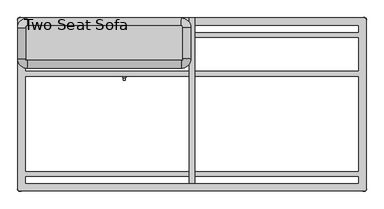
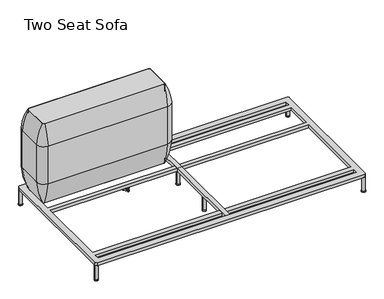
"""IFC4 building model written with IfcOpenShell, lengths in millimetres: furniture geometry, Two Seat Sofa."""

from ifc_helpers import new_model, si_unit, point, frame, frame_2d, origin, origin_with_axes, place, context, project, spatial, polyline, circle_curve, ellipse_curve, trimmed, segment, composite_curve, outline, extrude, source, transform, mapped, element, save
from ifc_brep_helpers import plane_surface, cylinder_surface, revolved_surface, advanced_brep


def two_seat_sofa_6135bf9b(model_context):
    return source(origin(), model_context, "Body", "SolidModel", [
        advanced_brep(
        [(-519.7611937, -130.2721038, 98.611642), (-523.9837819, -137.585841, 98.611642), (-523.585833, -138.7518724, 98.611642), (-507.7665623, -166.1516574, 98.611642), (-506.9557288, -167.0792988, 98.611642), (-498.5105502, -167.0792988, 98.611642), (-497.706022, -165.9895174, 98.611642), (-481.6037689, -138.4877144, 98.611642), (-481.4824919, -137.5858427, 98.611642), (-485.7050818, -130.2721023, 98.611642), (-486.9138653, -130.0337175, 98.611642), (-518.5524137, -130.0337175, 98.611642), (-493.360263, -145.1926245, 98.611642), (-512.2652749, -145.1926245, 98.611642), (-519.7611937, -130.2721038, 88.6531552), (-518.5524137, -130.0337175, 88.6531552), (-486.9138653, -130.0337175, 88.6531552), (-485.7050818, -130.2721023, 88.6531552), (-481.4824919, -137.5858427, 88.6531552), (-481.6037689, -138.4877144, 88.6531552), (-497.706022, -165.9895174, 88.6531552), (-498.5105502, -167.0792988, 88.6531552), (-506.9557288, -167.0792988, 88.6531552), (-507.7665623, -166.1516574, 88.6531552), (-523.585833, -138.7518724, 88.6531552), (-523.9837819, -137.585841, 88.6531552), (-512.2652749, -145.1926245, 103.6569541), (-493.360263, -145.1926245, 103.6569541)],
        [
            (0, 1, circle_curve(frame((-501.5017056, -145.690049, 98.611642), z_axis=(0.0, 0.0, 1.0), x_axis=(1.0, 0.0, 0.0)), 23.8981576)),
            (1, 2, circle_curve(frame((-523.0562233, -137.920202, 98.611642), z_axis=(0.0, 0.0, 1.0), x_axis=(1.0, 0.0, 0.0)), 0.9859828)),
            (2, 3, circle_curve(frame((-541.981203, -167.6389644, 98.611642), z_axis=(0.0, 0.0, -1.0), x_axis=(1.0, 0.0, 0.0)), 34.246952)),
            (3, 4, circle_curve(frame((-506.7815189, -166.1088376, 98.611642), z_axis=(0.0, 0.0, 1.0), x_axis=(1.0, 0.0, 0.0)), 0.9859736)),
            (4, 5, circle_curve(frame((-502.7331395, -143.5567534, 98.611642), z_axis=(0.0, 0.0, 1.0), x_axis=(1.0, 0.0, 0.0)), 23.8985439)),
            (5, 6, circle_curve(frame((-498.6847621, -166.1088262, 98.611642), z_axis=(0.0, 0.0, 1.0), x_axis=(1.0, 0.0, 0.0)), 0.9859852)),
            (6, 7, circle_curve(frame((-463.4843483, -167.5614211, 98.611642), z_axis=(0.0, 0.0, -1.0), x_axis=(1.0, 0.0, 0.0)), 34.2577557)),
            (7, 8, circle_curve(frame((-482.4100533, -137.9202011, 98.611642), z_axis=(0.0, 0.0, 1.0), x_axis=(1.0, 0.0, 0.0)), 0.9859847)),
            (8, 9, circle_curve(frame((-503.9641822, -145.6898258, 98.611642), z_axis=(0.0, 0.0, 1.0), x_axis=(1.0, 0.0, 0.0)), 23.8977184)),
            (9, 10, circle_curve(frame((-486.4584281, -130.9082171, 98.611642), z_axis=(0.0, 0.0, 1.0), x_axis=(1.0, 0.0, 0.0)), 0.9859881)),
            (10, 11, circle_curve(frame((-502.7331395, -99.6586209, 98.611642), z_axis=(0.0, 0.0, -1.0), x_axis=(1.0, 0.0, 0.0)), 34.2475683)),
            (11, 0, circle_curve(frame((-519.0078488, -130.9082131, 98.611642), z_axis=(0.0, 0.0, 1.0), x_axis=(1.0, 0.0, 0.0)), 0.9859835)),
            (12, 13, circle_curve(frame((-502.8127689, -145.1926245, 98.611642), z_axis=(0.0, 0.0, -1.0), x_axis=(1.0, 0.0, 0.0)), 9.452506)),
            (13, 12, circle_curve(frame((-502.8127689, -145.1926245, 98.611642), z_axis=(0.0, 0.0, -1.0), x_axis=(1.0, 0.0, 0.0)), 9.452506)),
            (14, 15, circle_curve(frame((-519.0078488, -130.9082131, 88.6531552), z_axis=(0.0, 0.0, -1.0), x_axis=(1.0, 0.0, 0.0)), 0.9859835)),
            (15, 16, circle_curve(frame((-502.7331395, -99.6586209, 88.6531552), z_axis=(0.0, 0.0, 1.0), x_axis=(1.0, 0.0, 0.0)), 34.2475683)),
            (16, 17, circle_curve(frame((-486.4584281, -130.9082171, 88.6531552), z_axis=(0.0, 0.0, -1.0), x_axis=(1.0, 0.0, 0.0)), 0.9859881)),
            (17, 18, circle_curve(frame((-503.9641822, -145.6898258, 88.6531552), z_axis=(0.0, 0.0, -1.0), x_axis=(1.0, 0.0, 0.0)), 23.8977184)),
            (18, 19, circle_curve(frame((-482.4100533, -137.9202011, 88.6531552), z_axis=(0.0, 0.0, -1.0), x_axis=(1.0, 0.0, 0.0)), 0.9859847)),
            (19, 20, circle_curve(frame((-463.4843483, -167.5614211, 88.6531552), z_axis=(0.0, 0.0, 1.0), x_axis=(1.0, 0.0, 0.0)), 34.2577557)),
            (20, 21, circle_curve(frame((-498.6847621, -166.1088262, 88.6531552), z_axis=(0.0, 0.0, -1.0), x_axis=(1.0, 0.0, 0.0)), 0.9859852)),
            (21, 22, circle_curve(frame((-502.7331395, -143.5567534, 88.6531552), z_axis=(0.0, 0.0, -1.0), x_axis=(1.0, 0.0, 0.0)), 23.8985439)),
            (22, 23, circle_curve(frame((-506.7815189, -166.1088376, 88.6531552), z_axis=(0.0, 0.0, -1.0), x_axis=(1.0, 0.0, 0.0)), 0.9859736)),
            (23, 24, circle_curve(frame((-541.981203, -167.6389644, 88.6531552), z_axis=(0.0, 0.0, 1.0), x_axis=(1.0, 0.0, 0.0)), 34.246952)),
            (24, 25, circle_curve(frame((-523.0562233, -137.920202, 88.6531552), z_axis=(0.0, 0.0, -1.0), x_axis=(1.0, 0.0, 0.0)), 0.9859828)),
            (25, 14, circle_curve(frame((-501.5017056, -145.690049, 88.6531552), z_axis=(0.0, 0.0, -1.0), x_axis=(1.0, 0.0, 0.0)), 23.8981576)),
            (26, 27, circle_curve(frame((-502.8127689, -145.1926245, 103.6569541), z_axis=(0.0, 0.0, 1.0), x_axis=(1.0, 0.0, 0.0)), 9.452506)),
            (27, 26, circle_curve(frame((-502.8127689, -145.1926245, 103.6569541), z_axis=(0.0, 0.0, 1.0), x_axis=(1.0, 0.0, 0.0)), 9.452506)),
            (0, 14),
            (25, 1),
            (24, 2),
            (23, 3),
            (22, 4),
            (21, 5),
            (20, 6),
            (19, 7),
            (18, 8),
            (17, 9),
            (16, 10),
            (15, 11),
            (26, 13),
            (12, 27),
        ],
        [
            plane_surface(frame((-477.603548, -145.690049, 98.611642), z_axis=(0.0, 0.0, 1.0), x_axis=(0.0, 1.0, 0.0))),
            plane_surface(frame((-477.603548, -145.690049, 88.6531552), z_axis=(0.0, 0.0, -1.0), x_axis=(0.0, -1.0, 0.0))),
            plane_surface(frame((-493.360263, -145.1926245, 103.6569541), z_axis=(0.0, 0.0, 1.0), x_axis=(0.0, 1.0, 0.0))),
            cylinder_surface(frame((-501.5017056, -145.690049, 88.6531552), z_axis=(0.0, 0.0, 1.0), x_axis=(1.0, 0.0, 0.0)), 23.8981576),
            cylinder_surface(frame((-523.0562233, -137.920202, 88.6531552), z_axis=(0.0, 0.0, 1.0), x_axis=(1.0, 0.0, 0.0)), 0.9859828),
            revolved_surface(polyline([(-507.73425100000003, -167.6389644, 88.6531552), (-507.73425100000003, -167.6389644, 98.611642)]), (-541.981203, -167.6389644, 88.6531552), (0.0, 0.0, -1.0)),
            cylinder_surface(frame((-506.7815189, -166.1088376, 88.6531552), z_axis=(0.0, 0.0, 1.0), x_axis=(1.0, 0.0, 0.0)), 0.9859736),
            cylinder_surface(frame((-502.7331395, -143.5567534, 88.6531552), z_axis=(0.0, 0.0, 1.0), x_axis=(1.0, 0.0, 0.0)), 23.8985439),
            cylinder_surface(frame((-498.6847621, -166.1088262, 88.6531552), z_axis=(0.0, 0.0, 1.0), x_axis=(1.0, 0.0, 0.0)), 0.9859852),
            revolved_surface(polyline([(-429.2265926, -167.5614211, 88.6531552), (-429.2265926, -167.5614211, 98.611642)]), (-463.4843483, -167.5614211, 88.6531552), (0.0, 0.0, -1.0)),
            cylinder_surface(frame((-482.4100533, -137.9202011, 88.6531552), z_axis=(0.0, 0.0, 1.0), x_axis=(1.0, 0.0, 0.0)), 0.9859847),
            cylinder_surface(frame((-503.9641822, -145.6898258, 88.6531552), z_axis=(0.0, 0.0, 1.0), x_axis=(1.0, 0.0, 0.0)), 23.8977184),
            cylinder_surface(frame((-486.4584281, -130.9082171, 88.6531552), z_axis=(0.0, 0.0, 1.0), x_axis=(1.0, 0.0, 0.0)), 0.9859881),
            revolved_surface(polyline([(-468.4855712, -99.6586209, 88.6531552), (-468.4855712, -99.6586209, 98.611642)]), (-502.7331395, -99.6586209, 88.6531552), (0.0, 0.0, -1.0)),
            cylinder_surface(frame((-519.0078488, -130.9082131, 88.6531552), z_axis=(0.0, 0.0, 1.0), x_axis=(1.0, 0.0, 0.0)), 0.9859835),
            cylinder_surface(frame((-502.8127689, -145.1926245, 98.611642), z_axis=(0.0, 0.0, 1.0), x_axis=(1.0, 0.0, 0.0)), 9.452506),
        ],
        [
            (0, [[1, 2, 3, 4, 5, 6, 7, 8, 9, 10, 11, 12], [13, 14]]),
            (1, [[15, 16, 17, 18, 19, 20, 21, 22, 23, 24, 25, 26]]),
            (2, [[27, 28]]),
            (3, [[-1, 29, -26, 30]]),
            (4, [[-2, -30, -25, 31]]),
            (5, [[-3, -31, -24, 32]]),
            (6, [[-4, -32, -23, 33]]),
            (7, [[-5, -33, -22, 34]]),
            (8, [[-6, -34, -21, 35]]),
            (9, [[-7, -35, -20, 36]]),
            (10, [[-8, -36, -19, 37]]),
            (11, [[-9, -37, -18, 38]]),
            (12, [[-10, -38, -17, 39]]),
            (13, [[-11, -39, -16, 40]]),
            (14, [[-12, -40, -15, -29]]),
            (15, [[-27, 41, -13, 42]]),
            (15, [[-28, -42, -14, -41]]),
        ],
    ),
        advanced_brep(
        [(-519.7611937, 69.7278978, 98.611642), (-523.9837819, 62.4141605, 98.611642), (-523.585833, 61.2481292, 98.611642), (-507.7665623, 33.8483441, 98.611642), (-506.9557288, 32.9207027, 98.611642), (-498.5105502, 32.9207027, 98.611642), (-497.706022, 34.0104841, 98.611642), (-481.6037689, 61.5122871, 98.611642), (-481.4824919, 62.4141588, 98.611642), (-485.7050818, 69.7278992, 98.611642), (-486.9138653, 69.966284, 98.611642), (-518.5524137, 69.966284, 98.611642), (-493.360263, 54.807377, 98.611642), (-512.2652749, 54.807377, 98.611642), (-519.7611937, 69.7278978, 88.6531552), (-518.5524137, 69.966284, 88.6531552), (-486.9138653, 69.966284, 88.6531552), (-485.7050818, 69.7278992, 88.6531552), (-481.4824919, 62.4141588, 88.6531552), (-481.6037689, 61.5122871, 88.6531552), (-497.706022, 34.0104841, 88.6531552), (-498.5105502, 32.9207027, 88.6531552), (-506.9557288, 32.9207027, 88.6531552), (-507.7665623, 33.8483441, 88.6531552), (-523.585833, 61.2481292, 88.6531552), (-523.9837819, 62.4141605, 88.6531552), (-512.2652749, 54.807377, 103.6569541), (-493.360263, 54.807377, 103.6569541)],
        [
            (0, 1, circle_curve(frame((-501.5017056, 54.3099526, 98.611642), z_axis=(0.0, 0.0, 1.0), x_axis=(1.0, 0.0, 0.0)), 23.8981576)),
            (1, 2, circle_curve(frame((-523.0562233, 62.0797996, 98.611642), z_axis=(0.0, 0.0, 1.0), x_axis=(1.0, 0.0, 0.0)), 0.9859828)),
            (2, 3, circle_curve(frame((-541.981203, 32.3610372, 98.611642), z_axis=(0.0, 0.0, -1.0), x_axis=(1.0, 0.0, 0.0)), 34.246952)),
            (3, 4, circle_curve(frame((-506.7815189, 33.8911639, 98.611642), z_axis=(0.0, 0.0, 1.0), x_axis=(1.0, 0.0, 0.0)), 0.9859736)),
            (4, 5, circle_curve(frame((-502.7331395, 56.4432481, 98.611642), z_axis=(0.0, 0.0, 1.0), x_axis=(1.0, 0.0, 0.0)), 23.8985439)),
            (5, 6, circle_curve(frame((-498.6847621, 33.8911753, 98.611642), z_axis=(0.0, 0.0, 1.0), x_axis=(1.0, 0.0, 0.0)), 0.9859852)),
            (6, 7, circle_curve(frame((-463.4843483, 32.4385804, 98.611642), z_axis=(0.0, 0.0, -1.0), x_axis=(1.0, 0.0, 0.0)), 34.2577557)),
            (7, 8, circle_curve(frame((-482.4100533, 62.0798004, 98.611642), z_axis=(0.0, 0.0, 1.0), x_axis=(1.0, 0.0, 0.0)), 0.9859847)),
            (8, 9, circle_curve(frame((-503.9641822, 54.3101757, 98.611642), z_axis=(0.0, 0.0, 1.0), x_axis=(1.0, 0.0, 0.0)), 23.8977184)),
            (9, 10, circle_curve(frame((-486.4584281, 69.0917844, 98.611642), z_axis=(0.0, 0.0, 1.0), x_axis=(1.0, 0.0, 0.0)), 0.9859881)),
            (10, 11, circle_curve(frame((-502.7331395, 100.3413806, 98.611642), z_axis=(0.0, 0.0, -1.0), x_axis=(1.0, 0.0, 0.0)), 34.2475683)),
            (11, 0, circle_curve(frame((-519.0078488, 69.0917885, 98.611642), z_axis=(0.0, 0.0, 1.0), x_axis=(1.0, 0.0, 0.0)), 0.9859835)),
            (12, 13, circle_curve(frame((-502.8127689, 54.807377, 98.611642), z_axis=(0.0, 0.0, -1.0), x_axis=(1.0, 0.0, 0.0)), 9.452506)),
            (13, 12, circle_curve(frame((-502.8127689, 54.807377, 98.611642), z_axis=(0.0, 0.0, -1.0), x_axis=(1.0, 0.0, 0.0)), 9.452506)),
            (14, 15, circle_curve(frame((-519.0078488, 69.0917885, 88.6531552), z_axis=(0.0, 0.0, -1.0), x_axis=(1.0, 0.0, 0.0)), 0.9859835)),
            (15, 16, circle_curve(frame((-502.7331395, 100.3413806, 88.6531552), z_axis=(0.0, 0.0, 1.0), x_axis=(1.0, 0.0, 0.0)), 34.2475683)),
            (16, 17, circle_curve(frame((-486.4584281, 69.0917844, 88.6531552), z_axis=(0.0, 0.0, -1.0), x_axis=(1.0, 0.0, 0.0)), 0.9859881)),
            (17, 18, circle_curve(frame((-503.9641822, 54.3101757, 88.6531552), z_axis=(0.0, 0.0, -1.0), x_axis=(1.0, 0.0, 0.0)), 23.8977184)),
            (18, 19, circle_curve(frame((-482.4100533, 62.0798004, 88.6531552), z_axis=(0.0, 0.0, -1.0), x_axis=(1.0, 0.0, 0.0)), 0.9859847)),
            (19, 20, circle_curve(frame((-463.4843483, 32.4385804, 88.6531552), z_axis=(0.0, 0.0, 1.0), x_axis=(1.0, 0.0, 0.0)), 34.2577557)),
            (20, 21, circle_curve(frame((-498.6847621, 33.8911753, 88.6531552), z_axis=(0.0, 0.0, -1.0), x_axis=(1.0, 0.0, 0.0)), 0.9859852)),
            (21, 22, circle_curve(frame((-502.7331395, 56.4432481, 88.6531552), z_axis=(0.0, 0.0, -1.0), x_axis=(1.0, 0.0, 0.0)), 23.8985439)),
            (22, 23, circle_curve(frame((-506.7815189, 33.8911639, 88.6531552), z_axis=(0.0, 0.0, -1.0), x_axis=(1.0, 0.0, 0.0)), 0.9859736)),
            (23, 24, circle_curve(frame((-541.981203, 32.3610372, 88.6531552), z_axis=(0.0, 0.0, 1.0), x_axis=(1.0, 0.0, 0.0)), 34.246952)),
            (24, 25, circle_curve(frame((-523.0562233, 62.0797996, 88.6531552), z_axis=(0.0, 0.0, -1.0), x_axis=(1.0, 0.0, 0.0)), 0.9859828)),
            (25, 14, circle_curve(frame((-501.5017056, 54.3099526, 88.6531552), z_axis=(0.0, 0.0, -1.0), x_axis=(1.0, 0.0, 0.0)), 23.8981576)),
            (26, 27, circle_curve(frame((-502.8127689, 54.807377, 103.6569541), z_axis=(0.0, 0.0, 1.0), x_axis=(1.0, 0.0, 0.0)), 9.452506)),
            (27, 26, circle_curve(frame((-502.8127689, 54.807377, 103.6569541), z_axis=(0.0, 0.0, 1.0), x_axis=(1.0, 0.0, 0.0)), 9.452506)),
            (0, 14),
            (25, 1),
            (24, 2),
            (23, 3),
            (22, 4),
            (21, 5),
            (20, 6),
            (19, 7),
            (18, 8),
            (17, 9),
            (16, 10),
            (15, 11),
            (26, 13),
            (12, 27),
        ],
        [
            plane_surface(frame((-477.603548, 54.3099526, 98.611642), z_axis=(0.0, 0.0, 1.0), x_axis=(0.0, 1.0, 0.0))),
            plane_surface(frame((-477.603548, 54.3099526, 88.6531552), z_axis=(0.0, 0.0, -1.0), x_axis=(0.0, -1.0, 0.0))),
            plane_surface(frame((-493.360263, 54.807377, 103.6569541), z_axis=(0.0, 0.0, 1.0), x_axis=(0.0, 1.0, 0.0))),
            cylinder_surface(frame((-501.5017056, 54.3099526, 88.6531552), z_axis=(0.0, 0.0, 1.0), x_axis=(1.0, 0.0, 0.0)), 23.8981576),
            cylinder_surface(frame((-523.0562233, 62.0797996, 88.6531552), z_axis=(0.0, 0.0, 1.0), x_axis=(1.0, 0.0, 0.0)), 0.9859828),
            revolved_surface(polyline([(-507.73425100000003, 32.3610372, 88.6531552), (-507.73425100000003, 32.3610372, 98.611642)]), (-541.981203, 32.3610372, 88.6531552), (0.0, 0.0, -1.0)),
            cylinder_surface(frame((-506.7815189, 33.8911639, 88.6531552), z_axis=(0.0, 0.0, 1.0), x_axis=(1.0, 0.0, 0.0)), 0.9859736),
            cylinder_surface(frame((-502.7331395, 56.4432481, 88.6531552), z_axis=(0.0, 0.0, 1.0), x_axis=(1.0, 0.0, 0.0)), 23.8985439),
            cylinder_surface(frame((-498.6847621, 33.8911753, 88.6531552), z_axis=(0.0, 0.0, 1.0), x_axis=(1.0, 0.0, 0.0)), 0.9859852),
            revolved_surface(polyline([(-429.2265926, 32.4385804, 88.6531552), (-429.2265926, 32.4385804, 98.611642)]), (-463.4843483, 32.4385804, 88.6531552), (0.0, 0.0, -1.0)),
            cylinder_surface(frame((-482.4100533, 62.0798004, 88.6531552), z_axis=(0.0, 0.0, 1.0), x_axis=(1.0, 0.0, 0.0)), 0.9859847),
            cylinder_surface(frame((-503.9641822, 54.3101757, 88.6531552), z_axis=(0.0, 0.0, 1.0), x_axis=(1.0, 0.0, 0.0)), 23.8977184),
            cylinder_surface(frame((-486.4584281, 69.0917844, 88.6531552), z_axis=(0.0, 0.0, 1.0), x_axis=(1.0, 0.0, 0.0)), 0.9859881),
            revolved_surface(polyline([(-468.4855712, 100.3413806, 88.6531552), (-468.4855712, 100.3413806, 98.611642)]), (-502.7331395, 100.3413806, 88.6531552), (0.0, 0.0, -1.0)),
            cylinder_surface(frame((-519.0078488, 69.0917885, 88.6531552), z_axis=(0.0, 0.0, 1.0), x_axis=(1.0, 0.0, 0.0)), 0.9859835),
            cylinder_surface(frame((-502.8127689, 54.807377, 98.611642), z_axis=(0.0, 0.0, 1.0), x_axis=(1.0, 0.0, 0.0)), 9.452506),
        ],
        [
            (0, [[1, 2, 3, 4, 5, 6, 7, 8, 9, 10, 11, 12], [13, 14]]),
            (1, [[15, 16, 17, 18, 19, 20, 21, 22, 23, 24, 25, 26]]),
            (2, [[27, 28]]),
            (3, [[-1, 29, -26, 30]]),
            (4, [[-2, -30, -25, 31]]),
            (5, [[-3, -31, -24, 32]]),
            (6, [[-4, -32, -23, 33]]),
            (7, [[-5, -33, -22, 34]]),
            (8, [[-6, -34, -21, 35]]),
            (9, [[-7, -35, -20, 36]]),
            (10, [[-8, -36, -19, 37]]),
            (11, [[-9, -37, -18, 38]]),
            (12, [[-10, -38, -17, 39]]),
            (13, [[-11, -39, -16, 40]]),
            (14, [[-12, -40, -15, -29]]),
            (15, [[-27, 41, -13, 42]]),
            (15, [[-28, -42, -14, -41]]),
        ],
    ),
        advanced_brep(
        [(-708.6567178, 69.7278978, 98.611642), (-712.879306, 62.4141605, 98.611642), (-712.4813572, 61.2481292, 98.611642), (-696.6620864, 33.8483441, 98.611642), (-695.8512529, 32.9207027, 98.611642), (-687.4060744, 32.9207027, 98.611642), (-686.6015461, 34.0104841, 98.611642), (-670.4992931, 61.5122871, 98.611642), (-670.378016, 62.4141588, 98.611642), (-674.600606, 69.7278992, 98.611642), (-675.8093894, 69.966284, 98.611642), (-707.4479379, 69.966284, 98.611642), (-682.2557871, 54.807377, 98.611642), (-701.160799, 54.807377, 98.611642), (-708.6567178, 69.7278978, 88.6531552), (-707.4479379, 69.966284, 88.6531552), (-675.8093894, 69.966284, 88.6531552), (-674.600606, 69.7278992, 88.6531552), (-670.378016, 62.4141588, 88.6531552), (-670.4992931, 61.5122871, 88.6531552), (-686.6015461, 34.0104841, 88.6531552), (-687.4060744, 32.9207027, 88.6531552), (-695.8512529, 32.9207027, 88.6531552), (-696.6620864, 33.8483441, 88.6531552), (-712.4813572, 61.2481292, 88.6531552), (-712.879306, 62.4141605, 88.6531552), (-701.160799, 54.807377, 103.6569541), (-682.2557871, 54.807377, 103.6569541)],
        [
            (0, 1, circle_curve(frame((-690.3972298, 54.3099526, 98.611642), z_axis=(0.0, 0.0, 1.0), x_axis=(1.0, 0.0, 0.0)), 23.8981576)),
            (1, 2, circle_curve(frame((-711.9517474, 62.0797996, 98.611642), z_axis=(0.0, 0.0, 1.0), x_axis=(1.0, 0.0, 0.0)), 0.9859828)),
            (2, 3, circle_curve(frame((-730.8767271, 32.3610372, 98.611642), z_axis=(0.0, 0.0, -1.0), x_axis=(1.0, 0.0, 0.0)), 34.246952)),
            (3, 4, circle_curve(frame((-695.6770431, 33.8911639, 98.611642), z_axis=(0.0, 0.0, 1.0), x_axis=(1.0, 0.0, 0.0)), 0.9859736)),
            (4, 5, circle_curve(frame((-691.6286636, 56.4432481, 98.611642), z_axis=(0.0, 0.0, 1.0), x_axis=(1.0, 0.0, 0.0)), 23.8985439)),
            (5, 6, circle_curve(frame((-687.5802862, 33.8911753, 98.611642), z_axis=(0.0, 0.0, 1.0), x_axis=(1.0, 0.0, 0.0)), 0.9859852)),
            (6, 7, circle_curve(frame((-652.3798725, 32.4385804, 98.611642), z_axis=(0.0, 0.0, -1.0), x_axis=(1.0, 0.0, 0.0)), 34.2577557)),
            (7, 8, circle_curve(frame((-671.3055775, 62.0798004, 98.611642), z_axis=(0.0, 0.0, 1.0), x_axis=(1.0, 0.0, 0.0)), 0.9859847)),
            (8, 9, circle_curve(frame((-692.8597064, 54.3101757, 98.611642), z_axis=(0.0, 0.0, 1.0), x_axis=(1.0, 0.0, 0.0)), 23.8977184)),
            (9, 10, circle_curve(frame((-675.3539522, 69.0917844, 98.611642), z_axis=(0.0, 0.0, 1.0), x_axis=(1.0, 0.0, 0.0)), 0.9859881)),
            (10, 11, circle_curve(frame((-691.6286636, 100.3413806, 98.611642), z_axis=(0.0, 0.0, -1.0), x_axis=(1.0, 0.0, 0.0)), 34.2475683)),
            (11, 0, circle_curve(frame((-707.9033729, 69.0917885, 98.611642), z_axis=(0.0, 0.0, 1.0), x_axis=(1.0, 0.0, 0.0)), 0.9859835)),
            (12, 13, circle_curve(frame((-691.7082931, 54.807377, 98.611642), z_axis=(0.0, 0.0, -1.0), x_axis=(1.0, 0.0, 0.0)), 9.452506)),
            (13, 12, circle_curve(frame((-691.7082931, 54.807377, 98.611642), z_axis=(0.0, 0.0, -1.0), x_axis=(1.0, 0.0, 0.0)), 9.452506)),
            (14, 15, circle_curve(frame((-707.9033729, 69.0917885, 88.6531552), z_axis=(0.0, 0.0, -1.0), x_axis=(1.0, 0.0, 0.0)), 0.9859835)),
            (15, 16, circle_curve(frame((-691.6286636, 100.3413806, 88.6531552), z_axis=(0.0, 0.0, 1.0), x_axis=(1.0, 0.0, 0.0)), 34.2475683)),
            (16, 17, circle_curve(frame((-675.3539522, 69.0917844, 88.6531552), z_axis=(0.0, 0.0, -1.0), x_axis=(1.0, 0.0, 0.0)), 0.9859881)),
            (17, 18, circle_curve(frame((-692.8597064, 54.3101757, 88.6531552), z_axis=(0.0, 0.0, -1.0), x_axis=(1.0, 0.0, 0.0)), 23.8977184)),
            (18, 19, circle_curve(frame((-671.3055775, 62.0798004, 88.6531552), z_axis=(0.0, 0.0, -1.0), x_axis=(1.0, 0.0, 0.0)), 0.9859847)),
            (19, 20, circle_curve(frame((-652.3798725, 32.4385804, 88.6531552), z_axis=(0.0, 0.0, 1.0), x_axis=(1.0, 0.0, 0.0)), 34.2577557)),
            (20, 21, circle_curve(frame((-687.5802862, 33.8911753, 88.6531552), z_axis=(0.0, 0.0, -1.0), x_axis=(1.0, 0.0, 0.0)), 0.9859852)),
            (21, 22, circle_curve(frame((-691.6286636, 56.4432481, 88.6531552), z_axis=(0.0, 0.0, -1.0), x_axis=(1.0, 0.0, 0.0)), 23.8985439)),
            (22, 23, circle_curve(frame((-695.6770431, 33.8911639, 88.6531552), z_axis=(0.0, 0.0, -1.0), x_axis=(1.0, 0.0, 0.0)), 0.9859736)),
            (23, 24, circle_curve(frame((-730.8767271, 32.3610372, 88.6531552), z_axis=(0.0, 0.0, 1.0), x_axis=(1.0, 0.0, 0.0)), 34.246952)),
            (24, 25, circle_curve(frame((-711.9517474, 62.0797996, 88.6531552), z_axis=(0.0, 0.0, -1.0), x_axis=(1.0, 0.0, 0.0)), 0.9859828)),
            (25, 14, circle_curve(frame((-690.3972298, 54.3099526, 88.6531552), z_axis=(0.0, 0.0, -1.0), x_axis=(1.0, 0.0, 0.0)), 23.8981576)),
            (26, 27, circle_curve(frame((-691.7082931, 54.807377, 103.6569541), z_axis=(0.0, 0.0, 1.0), x_axis=(1.0, 0.0, 0.0)), 9.452506)),
            (27, 26, circle_curve(frame((-691.7082931, 54.807377, 103.6569541), z_axis=(0.0, 0.0, 1.0), x_axis=(1.0, 0.0, 0.0)), 9.452506)),
            (0, 14),
            (25, 1),
            (24, 2),
            (23, 3),
            (22, 4),
            (21, 5),
            (20, 6),
            (19, 7),
            (18, 8),
            (17, 9),
            (16, 10),
            (15, 11),
            (26, 13),
            (12, 27),
        ],
        [
            plane_surface(frame((-666.4990722, 54.3099526, 98.611642), z_axis=(0.0, 0.0, 1.0), x_axis=(0.0, 1.0, 0.0))),
            plane_surface(frame((-666.4990722, 54.3099526, 88.6531552), z_axis=(0.0, 0.0, -1.0), x_axis=(0.0, -1.0, 0.0))),
            plane_surface(frame((-682.2557871, 54.807377, 103.6569541), z_axis=(0.0, 0.0, 1.0), x_axis=(0.0, 1.0, 0.0))),
            cylinder_surface(frame((-690.3972298, 54.3099526, 88.6531552), z_axis=(0.0, 0.0, 1.0), x_axis=(1.0, 0.0, 0.0)), 23.8981576),
            cylinder_surface(frame((-711.9517474, 62.0797996, 88.6531552), z_axis=(0.0, 0.0, 1.0), x_axis=(1.0, 0.0, 0.0)), 0.9859828),
            revolved_surface(polyline([(-696.6297751000001, 32.3610372, 88.6531552), (-696.6297751000001, 32.3610372, 98.611642)]), (-730.8767271, 32.3610372, 88.6531552), (0.0, 0.0, -1.0)),
            cylinder_surface(frame((-695.6770431, 33.8911639, 88.6531552), z_axis=(0.0, 0.0, 1.0), x_axis=(1.0, 0.0, 0.0)), 0.9859736),
            cylinder_surface(frame((-691.6286636, 56.4432481, 88.6531552), z_axis=(0.0, 0.0, 1.0), x_axis=(1.0, 0.0, 0.0)), 23.8985439),
            cylinder_surface(frame((-687.5802862, 33.8911753, 88.6531552), z_axis=(0.0, 0.0, 1.0), x_axis=(1.0, 0.0, 0.0)), 0.9859852),
            revolved_surface(polyline([(-618.1221168000001, 32.4385804, 88.6531552), (-618.1221168000001, 32.4385804, 98.611642)]), (-652.3798725, 32.4385804, 88.6531552), (0.0, 0.0, -1.0)),
            cylinder_surface(frame((-671.3055775, 62.0798004, 88.6531552), z_axis=(0.0, 0.0, 1.0), x_axis=(1.0, 0.0, 0.0)), 0.9859847),
            cylinder_surface(frame((-692.8597064, 54.3101757, 88.6531552), z_axis=(0.0, 0.0, 1.0), x_axis=(1.0, 0.0, 0.0)), 23.8977184),
            cylinder_surface(frame((-675.3539522, 69.0917844, 88.6531552), z_axis=(0.0, 0.0, 1.0), x_axis=(1.0, 0.0, 0.0)), 0.9859881),
            revolved_surface(polyline([(-657.3810953, 100.3413806, 88.6531552), (-657.3810953, 100.3413806, 98.611642)]), (-691.6286636, 100.3413806, 88.6531552), (0.0, 0.0, -1.0)),
            cylinder_surface(frame((-707.9033729, 69.0917885, 88.6531552), z_axis=(0.0, 0.0, 1.0), x_axis=(1.0, 0.0, 0.0)), 0.9859835),
            cylinder_surface(frame((-691.7082931, 54.807377, 98.611642), z_axis=(0.0, 0.0, 1.0), x_axis=(1.0, 0.0, 0.0)), 9.452506),
        ],
        [
            (0, [[1, 2, 3, 4, 5, 6, 7, 8, 9, 10, 11, 12], [13, 14]]),
            (1, [[15, 16, 17, 18, 19, 20, 21, 22, 23, 24, 25, 26]]),
            (2, [[27, 28]]),
            (3, [[-1, 29, -26, 30]]),
            (4, [[-2, -30, -25, 31]]),
            (5, [[-3, -31, -24, 32]]),
            (6, [[-4, -32, -23, 33]]),
            (7, [[-5, -33, -22, 34]]),
            (8, [[-6, -34, -21, 35]]),
            (9, [[-7, -35, -20, 36]]),
            (10, [[-8, -36, -19, 37]]),
            (11, [[-9, -37, -18, 38]]),
            (12, [[-10, -38, -17, 39]]),
            (13, [[-11, -39, -16, 40]]),
            (14, [[-12, -40, -15, -29]]),
            (15, [[-27, 41, -13, 42]]),
            (15, [[-28, -42, -14, -41]]),
        ],
    ),
        extrude(outline(composite_curve([segment(trimmed(circle_curve(frame_2d((-155.4452882, -433.7002937)), 10.4664203), [point((-165.9117085, -433.7002937))], [point((-144.9788678, -433.7002937))], False, "CARTESIAN"), True, "CONTINUOUS"), segment(trimmed(circle_curve(frame_2d((-155.4452882, -433.7002937)), 10.4664203), [point((-144.9788678, -433.7002937))], [point((-165.9117085, -433.7002937))], False, "CARTESIAN"), True, "CONTINUOUS")], self_intersect=False)), origin_with_axes(), (0.0, 0.0, 1.0), 103.6569541),
        extrude(outline(composite_curve([segment(trimmed(circle_curve(frame_2d((-155.4452882, -133.6667163)), 10.4664203), [point((-165.9117085, -133.6667163))], [point((-144.9788678, -133.6667163))], False, "CARTESIAN"), True, "CONTINUOUS"), segment(trimmed(circle_curve(frame_2d((-155.4452882, -133.6667163)), 10.4664203), [point((-144.9788678, -133.6667163))], [point((-165.9117085, -133.6667163))], False, "CARTESIAN"), True, "CONTINUOUS")], self_intersect=False)), origin_with_axes(), (0.0, 0.0, 1.0), 103.6569541),
        extrude(outline(composite_curve([segment(trimmed(circle_curve(frame_2d((-155.4452882, -433.7002937)), 12.5000005), [point((-167.9452886, -433.7002937))], [point((-142.9452877, -433.7002937))], False, "CARTESIAN"), True, "CONTINUOUS"), segment(trimmed(circle_curve(frame_2d((-155.4452882, -433.7002937)), 12.5000005), [point((-142.9452877, -433.7002937))], [point((-167.9452886, -433.7002937))], False, "CARTESIAN"), True, "CONTINUOUS")], self_intersect=False)), origin_with_axes(), (0.0, 0.0, 1.0), 6.0),
        extrude(outline(composite_curve([segment(trimmed(circle_curve(frame_2d((-155.4452882, -133.6667163)), 12.5000005), [point((-167.9452886, -133.6667163))], [point((-142.9452877, -133.6667163))], False, "CARTESIAN"), True, "CONTINUOUS"), segment(trimmed(circle_curve(frame_2d((-155.4452882, -133.6667163)), 12.5000005), [point((-142.9452877, -133.6667163))], [point((-167.9452886, -133.6667163))], False, "CARTESIAN"), True, "CONTINUOUS")], self_intersect=False)), origin_with_axes(), (0.0, 0.0, 1.0), 6.0),
        extrude(outline(polyline([(-169.7406049, -696.2002953), (-169.7406049, 153.6358637), (-139.7406192, 153.6358637), (-139.7406192, -696.2002953), (-169.7406049, -696.2002953)])), frame((0.0, 0.0, 103.6569541), z_axis=(0.0, 0.0, 1.0), x_axis=(1.0, 0.0, 0.0)), (0.0, 0.0, 1.0), 20.3430443),
        extrude(outline(composite_curve([segment(trimmed(circle_curve(frame_2d((-1040.100311, 143.787786)), 12.5000005), [point((-1052.6003115, 143.787786))], [point((-1027.6003105, 143.787786))], False, "CARTESIAN"), True, "CONTINUOUS"), segment(trimmed(circle_curve(frame_2d((-1040.100311, 143.787786)), 12.5000005), [point((-1027.6003105, 143.787786))], [point((-1052.6003115, 143.787786))], False, "CARTESIAN"), True, "CONTINUOUS")], self_intersect=False)), origin_with_axes(), (0.0, 0.0, 1.0), 6.0),
        extrude(outline(composite_curve([segment(trimmed(circle_curve(frame_2d((-1040.100311, -726.2491859)), 12.5000005), [point((-1052.6003115, -726.2491859))], [point((-1027.6003105, -726.2491859))], False, "CARTESIAN"), True, "CONTINUOUS"), segment(trimmed(circle_curve(frame_2d((-1040.100311, -726.2491859)), 12.5000005), [point((-1027.6003105, -726.2491859))], [point((-1052.6003115, -726.2491859))], False, "CARTESIAN"), True, "CONTINUOUS")], self_intersect=False)), origin_with_axes(), (0.0, 0.0, 1.0), 6.0),
        extrude(outline(composite_curve([segment(trimmed(circle_curve(frame_2d((730.7972347, 143.787786)), 12.5000005), [point((718.2972342, 143.787786))], [point((743.2972352, 143.787786))], False, "CARTESIAN"), True, "CONTINUOUS"), segment(trimmed(circle_curve(frame_2d((730.7972347, 143.787786)), 12.5000005), [point((743.2972352, 143.787786))], [point((718.2972342, 143.787786))], False, "CARTESIAN"), True, "CONTINUOUS")], self_intersect=False)), origin_with_axes(), (0.0, 0.0, 1.0), 6.0),
        extrude(outline(composite_curve([segment(trimmed(circle_curve(frame_2d((730.7026028, -726.2033172)), 12.5000005), [point((718.2026024, -726.2033172))], [point((743.2026033, -726.2033172))], False, "CARTESIAN"), True, "CONTINUOUS"), segment(trimmed(circle_curve(frame_2d((730.7026028, -726.2033172)), 12.5000005), [point((743.2026033, -726.2033172))], [point((718.2026024, -726.2033172))], False, "CARTESIAN"), True, "CONTINUOUS")], self_intersect=False)), origin_with_axes(), (0.0, 0.0, 1.0), 6.0),
        extrude(outline(composite_curve([segment(trimmed(circle_curve(frame_2d((-1040.100311, 143.787786)), 10.4664203), [point((-1050.5667314, 143.787786))], [point((-1029.6338907, 143.787786))], False, "CARTESIAN"), True, "CONTINUOUS"), segment(trimmed(circle_curve(frame_2d((-1040.100311, 143.787786)), 10.4664203), [point((-1029.6338907, 143.787786))], [point((-1050.5667314, 143.787786))], False, "CARTESIAN"), True, "CONTINUOUS")], self_intersect=False)), origin_with_axes(), (0.0, 0.0, 1.0), 103.6569541),
        extrude(outline(composite_curve([segment(trimmed(circle_curve(frame_2d((730.7717227, -726.1628448)), 10.4664203), [point((720.3053024, -726.1628448))], [point((741.2381431, -726.1628448))], False, "CARTESIAN"), True, "CONTINUOUS"), segment(trimmed(circle_curve(frame_2d((730.7717227, -726.1628448)), 10.4664203), [point((741.2381431, -726.1628448))], [point((720.3053024, -726.1628448))], False, "CARTESIAN"), True, "CONTINUOUS")], self_intersect=False)), origin_with_axes(), (0.0, 0.0, 1.0), 103.6569541),
        extrude(outline(composite_curve([segment(trimmed(circle_curve(frame_2d((730.8502147, 143.7799368)), 10.4664203), [point((720.3837944, 143.7799368))], [point((741.316635, 143.7799368))], False, "CARTESIAN"), True, "CONTINUOUS"), segment(trimmed(circle_curve(frame_2d((730.8502147, 143.7799368)), 10.4664203), [point((741.316635, 143.7799368))], [point((720.3837944, 143.7799368))], False, "CARTESIAN"), True, "CONTINUOUS")], self_intersect=False)), origin_with_axes(), (0.0, 0.0, 1.0), 103.6569541),
        extrude(outline(composite_curve([segment(trimmed(circle_curve(frame_2d((-1040.0289857, -726.0945909)), 10.4664203), [point((-1050.4954061, -726.0945909))], [point((-1029.5625654, -726.0945909))], False, "CARTESIAN"), True, "CONTINUOUS"), segment(trimmed(circle_curve(frame_2d((-1040.0289857, -726.0945909)), 10.4664203), [point((-1029.5625654, -726.0945909))], [point((-1050.4954061, -726.0945909))], False, "CARTESIAN"), True, "CONTINUOUS")], self_intersect=False)), origin_with_axes(), (0.0, 0.0, 1.0), 103.6569541),
        extrude(outline(composite_curve([segment(polyline([(-1040.5463796, 153.6358637), (731.0651554, 153.6358637)]), True, "CONTINUOUS"), segment(trimmed(circle_curve(frame_2d((731.0651554, 144.0819322)), 9.5539314), [point((731.0651554, 153.6358637))], [point((740.6190868, 144.0819322))], False, "CARTESIAN"), True, "CONTINUOUS"), segment(polyline([(740.6190868, 144.0819322), (740.6190868, -728.9954927)]), True, "CONTINUOUS"), segment(trimmed(circle_curve(frame_2d((733.4261728, -728.9954927)), 7.192914), [point((740.6190868, -728.9954927))], [point((733.4261728, -736.1884068))], False, "CARTESIAN"), True, "CONTINUOUS"), segment(polyline([(733.4261728, -736.1884068), (-1040.2975349, -736.1884068)]), True, "CONTINUOUS"), segment(trimmed(circle_curve(frame_2d((-1040.2975349, -726.3856306)), 9.8027761), [point((-1040.2975349, -736.1884068))], [point((-1050.100311, -726.3856306))], False, "CARTESIAN"), True, "CONTINUOUS"), segment(polyline([(-1050.100311, -726.3856306), (-1050.100311, 144.0819322)]), True, "CONTINUOUS"), segment(trimmed(circle_curve(frame_2d((-1040.5463796, 144.0819322)), 9.5539314), [point((-1050.100311, 144.0819322))], [point((-1040.5463796, 153.6358637))], False, "CARTESIAN"), True, "CONTINUOUS")], self_intersect=False), holes=[polyline([(-1010.1122296, -663.7579623), (-1010.1122296, -696.2002953), (700.7208076, -696.2002953), (700.7208076, -663.7579623), (-1010.1122296, -663.7579623)]), polyline([(-1010.1122296, 113.7997046), (-1010.1122296, 81.2997034), (700.7208076, 81.2997034), (700.7208076, 113.7997046), (-1010.1122296, 113.7997046)]), polyline([(-1010.1122296, -148.700302), (-1010.1122296, -633.7579584), (700.7208076, -633.7579584), (700.7208076, -148.700302), (-1010.1122296, -148.700302)]), polyline([(700.7208076, 51.2996995), (-1010.1122296, 51.2996995), (-1010.1122296, -118.7002981), (700.7208076, -118.7002981), (700.7208076, 51.2996995)])]), frame((0.0, 0.0, 103.6569541), z_axis=(0.0, 0.0, 1.0), x_axis=(1.0, 0.0, 0.0)), (0.0, 0.0, 1.0), 20.3430443),
        advanced_brep(
        [(-1051.4768538, 103.5149266, 283.1115097), (-1051.4768538, -55.2078555, 283.1115097), (-1051.4768538, -55.2078555, 543.4615097), (-1051.4768538, 103.5149266, 543.4615097), (-1010.7505465, 103.5149266, 123.9999984), (-1010.7505465, -55.2078555, 123.9999984), (-1010.7505465, 103.5149266, 676.7599216), (-1010.7505465, -55.2078555, 676.7599216), (-1000.9254713, -105.759238, 283.1115097), (-211.1988444, -105.759238, 283.1115097), (-211.1988444, -105.759238, 543.4615097), (-1000.9254713, -105.759238, 543.4615097), (-1000.9254713, -65.0329307, 123.9999984), (-211.1988444, -65.0329307, 123.9999984), (-1000.9254713, -65.0329307, 676.7599216), (-211.1988444, -65.0329307, 676.7599216), (-160.6474619, -55.2078555, 283.1115097), (-160.6474619, 103.5149266, 283.1115097), (-160.6474619, 103.5149266, 543.4615097), (-160.6474619, -55.2078555, 543.4615097), (-201.3737692, -55.2078555, 123.9999984), (-201.3737692, 103.5149266, 123.9999984), (-201.3737692, -55.2078555, 676.7599216), (-201.3737692, 103.5149266, 676.7599216), (-211.1988444, 154.0663091, 283.1115097), (-1000.9254713, 154.0663091, 283.1115097), (-1000.9254713, 154.0663091, 543.4615097), (-211.1988444, 154.0663091, 543.4615097), (-211.1988444, 113.3400018, 123.9999984), (-1000.9254713, 113.3400018, 123.9999984), (-211.1988444, 113.3400018, 676.7599216), (-1000.9254713, 113.3400018, 676.7599216)],
        [
            (0, 1),
            (1, 2, circle_curve(frame((755.0107884, -55.2078555, 413.2865097), z_axis=(0.0, 1.0, 0.0), x_axis=(-1.0, 0.0, 0.0)), 1811.1717567)),
            (2, 3),
            (3, 0, circle_curve(frame((755.0107884, 103.5149266, 413.2865097), z_axis=(0.0, -1.0, 0.0), x_axis=(-1.0, 0.0, 0.0)), 1811.1717567)),
            (4, 5),
            (5, 1, circle_curve(frame((-590.5337586, -55.2078555, 316.3269417), z_axis=(0.0, 1.0, 0.0), x_axis=(-1.0, 0.0, 0.0)), 462.1382931)),
            (0, 4, circle_curve(frame((-590.5337586, 103.5149266, 316.3269417), z_axis=(0.0, -1.0, 0.0), x_axis=(-1.0, 0.0, 0.0)), 462.1382931)),
            (6, 7),
            (7, 5),
            (4, 6),
            (8, 9),
            (9, 10, circle_curve(frame((-211.1988444, 1700.7284043, 413.2865097), z_axis=(-1.0, 0.0, 0.0), x_axis=(0.0, -1.0, 0.0)), 1811.1717567)),
            (10, 11),
            (11, 8, circle_curve(frame((-1000.9254713, 1700.7284043, 413.2865097), z_axis=(1.0, 0.0, 0.0), x_axis=(0.0, -1.0, 0.0)), 1811.1717567)),
            (12, 13),
            (13, 9, circle_curve(frame((-211.1988444, 355.1838572, 316.3269417), z_axis=(-1.0, 0.0, 0.0), x_axis=(0.0, -1.0, 0.0)), 462.1382931)),
            (8, 12, circle_curve(frame((-1000.9254713, 355.1838572, 316.3269417), z_axis=(1.0, 0.0, 0.0), x_axis=(0.0, -1.0, 0.0)), 462.1382931)),
            (14, 15),
            (15, 13),
            (12, 14),
            (16, 17),
            (17, 18, circle_curve(frame((-1967.1351041, 103.5149266, 413.2865097), z_axis=(0.0, -1.0, 0.0), x_axis=(1.0, 0.0, 0.0)), 1811.1717567)),
            (18, 19),
            (19, 16, circle_curve(frame((-1967.1351041, -55.2078555, 413.2865097), z_axis=(0.0, 1.0, 0.0), x_axis=(1.0, 0.0, 0.0)), 1811.1717567)),
            (20, 21),
            (21, 17, circle_curve(frame((-621.5905571, 103.5149266, 316.3269417), z_axis=(0.0, -1.0, 0.0), x_axis=(1.0, 0.0, 0.0)), 462.1382931)),
            (16, 20, circle_curve(frame((-621.5905571, -55.2078555, 316.3269417), z_axis=(0.0, 1.0, 0.0), x_axis=(1.0, 0.0, 0.0)), 462.1382931)),
            (22, 23),
            (23, 21),
            (20, 22),
            (24, 25),
            (25, 26, circle_curve(frame((-1000.9254713, -1652.4213331, 413.2865097), z_axis=(1.0, 0.0, 0.0), x_axis=(0.0, 1.0, 0.0)), 1811.1717567)),
            (26, 27),
            (27, 24, circle_curve(frame((-211.1988444, -1652.4213331, 413.2865097), z_axis=(-1.0, 0.0, 0.0), x_axis=(0.0, 1.0, 0.0)), 1811.1717567)),
            (28, 29),
            (29, 25, circle_curve(frame((-1000.9254713, -306.8767861, 316.3269417), z_axis=(1.0, 0.0, 0.0), x_axis=(0.0, 1.0, 0.0)), 462.1382931)),
            (24, 28, circle_curve(frame((-211.1988444, -306.8767861, 316.3269417), z_axis=(-1.0, 0.0, 0.0), x_axis=(0.0, 1.0, 0.0)), 462.1382931)),
            (30, 31),
            (31, 29),
            (28, 30),
            (3, 26, circle_curve(frame((-1000.9254713, 103.5149266, 543.4615097), z_axis=(0.0, 0.0, -1.0), x_axis=(0.0, 1.0, 0.0)), 50.5513825)),
            (25, 0, circle_curve(frame((-1000.9254713, 103.5149266, 283.1115097), z_axis=(0.0, 0.0, 1.0), x_axis=(0.0, 1.0, 0.0)), 50.5513825)),
            (29, 4, circle_curve(frame((-1000.9254713, 103.5149266, 123.9999984), z_axis=(0.0, 0.0, 1.0), x_axis=(0.0, 1.0, 0.0)), 9.8250752)),
            (31, 6, circle_curve(frame((-1000.9254713, 103.5149266, 676.7599216), z_axis=(0.0, 0.0, 1.0), x_axis=(0.0, 1.0, 0.0)), 9.8250752)),
            (11, 2, circle_curve(frame((-1000.9254713, -55.2078555, 543.4615097), z_axis=(0.0, 0.0, -1.0), x_axis=(-1.0, 0.0, 0.0)), 50.5513825)),
            (1, 8, circle_curve(frame((-1000.9254713, -55.2078555, 283.1115097), z_axis=(0.0, 0.0, 1.0), x_axis=(-1.0, 0.0, 0.0)), 50.5513825)),
            (5, 12, circle_curve(frame((-1000.9254713, -55.2078555, 123.9999984), z_axis=(0.0, 0.0, 1.0), x_axis=(-1.0, 0.0, 0.0)), 9.8250752)),
            (7, 14, circle_curve(frame((-1000.9254713, -55.2078555, 676.7599216), z_axis=(0.0, 0.0, 1.0), x_axis=(-1.0, 0.0, 0.0)), 9.8250752)),
            (19, 10, circle_curve(frame((-211.1988444, -55.2078555, 543.4615097), z_axis=(0.0, 0.0, -1.0), x_axis=(0.0, -1.0, 0.0)), 50.5513825)),
            (9, 16, circle_curve(frame((-211.1988444, -55.2078555, 283.1115097), z_axis=(0.0, 0.0, 1.0), x_axis=(0.0, -1.0, 0.0)), 50.5513825)),
            (13, 20, circle_curve(frame((-211.1988444, -55.2078555, 123.9999984), z_axis=(0.0, 0.0, 1.0), x_axis=(0.0, -1.0, 0.0)), 9.8250752)),
            (15, 22, circle_curve(frame((-211.1988444, -55.2078555, 676.7599216), z_axis=(0.0, 0.0, 1.0), x_axis=(0.0, -1.0, 0.0)), 9.8250752)),
            (27, 18, circle_curve(frame((-211.1988444, 103.5149266, 543.4615097), z_axis=(0.0, 0.0, -1.0), x_axis=(1.0, 0.0, 0.0)), 50.5513825)),
            (17, 24, circle_curve(frame((-211.1988444, 103.5149266, 283.1115097), z_axis=(0.0, 0.0, 1.0), x_axis=(1.0, 0.0, 0.0)), 50.5513825)),
            (21, 28, circle_curve(frame((-211.1988444, 103.5149266, 123.9999984), z_axis=(0.0, 0.0, 1.0), x_axis=(1.0, 0.0, 0.0)), 9.8250752)),
            (23, 30, circle_curve(frame((-211.1988444, 103.5149266, 676.7599216), z_axis=(0.0, 0.0, 1.0), x_axis=(1.0, 0.0, 0.0)), 9.8250752)),
            (3, 6, circle_curve(frame((-739.3534366, 103.5149266, 520.9699825), z_axis=(0.0, 1.0, 0.0), x_axis=(-1.0, 0.0, 0.0)), 312.9327346)),
            (31, 26, circle_curve(frame((-1000.9254713, -158.0571081, 520.9699825), z_axis=(-1.0, 0.0, 0.0), x_axis=(0.0, 1.0, 0.0)), 312.9327346)),
            (2, 7, circle_curve(frame((-739.3534366, -55.2078555, 520.9699825), z_axis=(0.0, 1.0, 0.0), x_axis=(-1.0, 0.0, 0.0)), 312.9327346)),
            (11, 14, circle_curve(frame((-1000.9254713, 206.3641793, 520.9699825), z_axis=(-1.0, 0.0, 0.0), x_axis=(0.0, -1.0, 0.0)), 312.9327346)),
            (10, 15, circle_curve(frame((-211.1988444, 206.3641793, 520.9699825), z_axis=(-1.0, 0.0, 0.0), x_axis=(0.0, -1.0, 0.0)), 312.9327346)),
            (19, 22, circle_curve(frame((-472.7708791, -55.2078555, 520.9699825), z_axis=(0.0, -1.0, 0.0), x_axis=(1.0, 0.0, 0.0)), 312.9327346)),
            (18, 23, circle_curve(frame((-472.7708791, 103.5149266, 520.9699825), z_axis=(0.0, -1.0, 0.0), x_axis=(1.0, 0.0, 0.0)), 312.9327346)),
            (27, 30, circle_curve(frame((-211.1988444, -158.0571081, 520.9699825), z_axis=(1.0, 0.0, 0.0), x_axis=(0.0, 1.0, 0.0)), 312.9327346)),
        ],
        [
            cylinder_surface(frame((755.0107884, 103.5149266, 413.2865097), z_axis=(0.0, 1.0, 0.0), x_axis=(-1.0, 0.0, 0.0)), 1811.1717567),
            cylinder_surface(frame((-590.5337586, 103.5149266, 316.3269417), z_axis=(0.0, 1.0, 0.0), x_axis=(-1.0, 0.0, 0.0)), 462.1382931),
            plane_surface(frame((-1010.7505465, 103.5149266, 123.9999984), z_axis=(1.0, 0.0, 0.0), x_axis=(0.0, -1.0, 0.0))),
            cylinder_surface(frame((-1000.9254713, 1700.7284043, 413.2865097), z_axis=(-1.0, 0.0, 0.0), x_axis=(0.0, -1.0, 0.0)), 1811.1717567),
            cylinder_surface(frame((-1000.9254713, 355.1838572, 316.3269417), z_axis=(-1.0, 0.0, 0.0), x_axis=(0.0, -1.0, 0.0)), 462.1382931),
            plane_surface(frame((-1000.9254713, -65.0329307, 123.9999984), z_axis=(0.0, 1.0, 0.0), x_axis=(1.0, 0.0, 0.0))),
            cylinder_surface(frame((-1967.1351041, -55.2078555, 413.2865097), z_axis=(0.0, -1.0, 0.0), x_axis=(1.0, 0.0, 0.0)), 1811.1717567),
            cylinder_surface(frame((-621.5905571, -55.2078555, 316.3269417), z_axis=(0.0, -1.0, 0.0), x_axis=(1.0, 0.0, 0.0)), 462.1382931),
            plane_surface(frame((-201.3737692, -55.2078555, 123.9999984), z_axis=(-1.0, 0.0, 0.0), x_axis=(0.0, 1.0, 0.0))),
            cylinder_surface(frame((-211.1988444, -1652.4213331, 413.2865097), z_axis=(1.0, 0.0, 0.0), x_axis=(0.0, 1.0, 0.0)), 1811.1717567),
            cylinder_surface(frame((-211.1988444, -306.8767861, 316.3269417), z_axis=(1.0, 0.0, 0.0), x_axis=(0.0, 1.0, 0.0)), 462.1382931),
            plane_surface(frame((-211.1988444, 113.3400018, 123.9999984), z_axis=(0.0, -1.0, 0.0), x_axis=(-1.0, 0.0, 0.0))),
            revolved_surface(trimmed(ellipse_curve(frame((-1000.9254713, -1652.4213331, 413.2865097), z_axis=(-1.0, 0.0, 0.0), x_axis=(0.0, 1.0, 0.0)), 1811.1717567, 1811.1717567), [point((-1000.9254713, 154.0663091, 543.4615097))], [point((-1000.9254713, 154.0663091, 283.1115097))], True, "CARTESIAN"), (-1000.9254713, 103.5149266, -1.2587073), (0.0, 0.0, -1.0)),
            revolved_surface(trimmed(ellipse_curve(frame((-1000.9254713, -306.8767861, 316.3269417), z_axis=(-1.0, 0.0, 0.0), x_axis=(0.0, 1.0, 0.0)), 462.1382931, 462.1382931), [point((-1000.9254713, 154.0663091, 283.1115097))], [point((-1000.9254713, 113.3400018, 123.9999984))], True, "CARTESIAN"), (-1000.9254713, 103.5149266, -1.2587073), (0.0, 0.0, -1.0)),
            revolved_surface(polyline([(-1000.9254713, 113.3400018, 123.9999984), (-1000.9254713, 113.3400018, 676.7599216)]), (-1000.9254713, 103.5149266, -1.2587073), (0.0, 0.0, -1.0)),
            revolved_surface(trimmed(ellipse_curve(frame((755.0107884, -55.2078555, 413.2865097), z_axis=(0.0, -1.0, 0.0), x_axis=(-1.0, 0.0, 0.0)), 1811.1717567, 1811.1717567), [point((-1051.4768538, -55.2078555, 543.4615097))], [point((-1051.4768538, -55.2078555, 283.1115097))], True, "CARTESIAN"), (-1000.9254713, -55.2078555, -1.2587073), (0.0, 0.0, -1.0)),
            revolved_surface(trimmed(ellipse_curve(frame((-590.5337586, -55.2078555, 316.3269417), z_axis=(0.0, -1.0, 0.0), x_axis=(-1.0, 0.0, 0.0)), 462.1382931, 462.1382931), [point((-1051.4768538, -55.2078555, 283.1115097))], [point((-1010.7505465, -55.2078555, 123.9999984))], True, "CARTESIAN"), (-1000.9254713, -55.2078555, -1.2587073), (0.0, 0.0, -1.0)),
            revolved_surface(polyline([(-1010.7505465, -55.2078555, 123.9999984), (-1010.7505465, -55.2078555, 676.7599216)]), (-1000.9254713, -55.2078555, -1.2587073), (0.0, 0.0, -1.0)),
            revolved_surface(trimmed(ellipse_curve(frame((-211.1988444, 1700.7284043, 413.2865097), z_axis=(1.0, 0.0, 0.0), x_axis=(0.0, -1.0, 0.0)), 1811.1717567, 1811.1717567), [point((-211.1988444, -105.759238, 543.4615097))], [point((-211.1988444, -105.759238, 283.1115097))], True, "CARTESIAN"), (-211.1988444, -55.2078555, -1.2587073), (0.0, 0.0, -1.0)),
            revolved_surface(trimmed(ellipse_curve(frame((-211.1988444, 355.1838572, 316.3269417), z_axis=(1.0, 0.0, 0.0), x_axis=(0.0, -1.0, 0.0)), 462.1382931, 462.1382931), [point((-211.1988444, -105.759238, 283.1115097))], [point((-211.1988444, -65.0329307, 123.9999984))], True, "CARTESIAN"), (-211.1988444, -55.2078555, -1.2587073), (0.0, 0.0, -1.0)),
            revolved_surface(polyline([(-211.1988444, -65.03293070000001, 123.9999984), (-211.1988444, -65.03293070000001, 676.7599216)]), (-211.1988444, -55.2078555, -1.2587073), (0.0, 0.0, -1.0)),
            revolved_surface(trimmed(ellipse_curve(frame((-1967.1351041, 103.5149266, 413.2865097), z_axis=(0.0, 1.0, 0.0), x_axis=(1.0, 0.0, 0.0)), 1811.1717567, 1811.1717567), [point((-160.6474619, 103.5149266, 543.4615097))], [point((-160.6474619, 103.5149266, 283.1115097))], True, "CARTESIAN"), (-211.1988444, 103.5149266, -1.2587073), (0.0, 0.0, -1.0)),
            revolved_surface(trimmed(ellipse_curve(frame((-621.5905571, 103.5149266, 316.3269417), z_axis=(0.0, 1.0, 0.0), x_axis=(1.0, 0.0, 0.0)), 462.1382931, 462.1382931), [point((-160.6474619, 103.5149266, 283.1115097))], [point((-201.3737692, 103.5149266, 123.9999984))], True, "CARTESIAN"), (-211.1988444, 103.5149266, -1.2587073), (0.0, 0.0, -1.0)),
            revolved_surface(polyline([(-201.37376920000003, 103.5149266, 123.9999984), (-201.37376920000003, 103.5149266, 676.7599216)]), (-211.1988444, 103.5149266, -1.2587073), (0.0, 0.0, -1.0)),
            revolved_surface(trimmed(ellipse_curve(frame((-1000.9254713, -158.0571081, 520.9699825), z_axis=(-1.0, 0.0, 0.0), x_axis=(0.0, 1.0, 0.0)), 312.9327346, 312.9327346), [point((-1000.9254713, 113.3400018, 676.7599216))], [point((-1000.9254713, 154.0663091, 543.4615097))], True, "CARTESIAN"), (-1000.9254713, 103.5149266, -1.2587073), (0.0, 0.0, -1.0)),
            cylinder_surface(frame((-739.3534366, 103.5149266, 520.9699825), z_axis=(0.0, 1.0, 0.0), x_axis=(-1.0, 0.0, 0.0)), 312.9327346),
            revolved_surface(trimmed(ellipse_curve(frame((-739.3534366, -55.2078555, 520.9699825), z_axis=(0.0, -1.0, 0.0), x_axis=(-1.0, 0.0, 0.0)), 312.9327346, 312.9327346), [point((-1010.7505465, -55.2078555, 676.7599216))], [point((-1051.4768538, -55.2078555, 543.4615097))], True, "CARTESIAN"), (-1000.9254713, -55.2078555, -1.2587073), (0.0, 0.0, -1.0)),
            cylinder_surface(frame((-1000.9254713, 206.3641793, 520.9699825), z_axis=(-1.0, 0.0, 0.0), x_axis=(0.0, -1.0, 0.0)), 312.9327346),
            revolved_surface(trimmed(ellipse_curve(frame((-211.1988444, 206.3641793, 520.9699825), z_axis=(1.0, 0.0, 0.0), x_axis=(0.0, -1.0, 0.0)), 312.9327346, 312.9327346), [point((-211.1988444, -65.0329307, 676.7599216))], [point((-211.1988444, -105.759238, 543.4615097))], True, "CARTESIAN"), (-211.1988444, -55.2078555, -1.2587073), (0.0, 0.0, -1.0)),
            cylinder_surface(frame((-472.7708791, -55.2078555, 520.9699825), z_axis=(0.0, -1.0, 0.0), x_axis=(1.0, 0.0, 0.0)), 312.9327346),
            revolved_surface(trimmed(ellipse_curve(frame((-472.7708791, 103.5149266, 520.9699825), z_axis=(0.0, 1.0, 0.0), x_axis=(1.0, 0.0, 0.0)), 312.9327346, 312.9327346), [point((-201.3737692, 103.5149266, 676.7599216))], [point((-160.6474619, 103.5149266, 543.4615097))], True, "CARTESIAN"), (-211.1988444, 103.5149266, -1.2587073), (0.0, 0.0, -1.0)),
            cylinder_surface(frame((-211.1988444, -158.0571081, 520.9699825), z_axis=(1.0, 0.0, 0.0), x_axis=(0.0, 1.0, 0.0)), 312.9327346),
        ],
        [
            (0, [[1, 2, 3, 4]]),
            (1, [[5, 6, -1, 7]]),
            (2, [[8, 9, -5, 10]]),
            (3, [[11, 12, 13, 14]]),
            (4, [[15, 16, -11, 17]]),
            (5, [[18, 19, -15, 20]]),
            (6, [[21, 22, 23, 24]]),
            (7, [[25, 26, -21, 27]]),
            (8, [[28, 29, -25, 30]]),
            (9, [[31, 32, 33, 34]]),
            (10, [[35, 36, -31, 37]]),
            (11, [[38, 39, -35, 40]]),
            (12, [[-4, 41, -32, 42]]),
            (13, [[-7, -42, -36, 43]]),
            (14, [[-10, -43, -39, 44]]),
            (15, [[-14, 45, -2, 46]]),
            (16, [[-17, -46, -6, 47]]),
            (17, [[-20, -47, -9, 48]]),
            (18, [[-24, 49, -12, 50]]),
            (19, [[-27, -50, -16, 51]]),
            (20, [[-30, -51, -19, 52]]),
            (21, [[-34, 53, -22, 54]]),
            (22, [[-37, -54, -26, 55]]),
            (23, [[-40, -55, -29, 56]]),
            (24, [[57, -44, 58, -41]]),
            (25, [[-3, 59, -8, -57]]),
            (26, [[60, -48, -59, -45]]),
            (27, [[-13, 61, -18, -60]]),
            (28, [[62, -52, -61, -49]]),
            (29, [[-23, 63, -28, -62]]),
            (30, [[64, -56, -63, -53]]),
            (31, [[-33, -58, -38, -64]]),
        ],
    ),
        extrude(outline(composite_curve([segment(trimmed(circle_curve(frame_2d((-211.1988444, -55.2078555)), 9.8250752), [point((-201.3737692, -55.2078555))], [point((-211.1988444, -65.0329307))], False, "CARTESIAN"), True, "CONTINUOUS"), segment(polyline([(-211.1988444, -65.0329307), (-1000.9254713, -65.0329307)]), True, "CONTINUOUS"), segment(trimmed(circle_curve(frame_2d((-1000.9254713, -55.2078555)), 9.8250752), [point((-1000.9254713, -65.0329307))], [point((-1010.7505465, -55.2078555))], False, "CARTESIAN"), True, "CONTINUOUS"), segment(polyline([(-1010.7505465, -55.2078555), (-1010.7505465, 103.5149266)]), True, "CONTINUOUS"), segment(trimmed(circle_curve(frame_2d((-1000.9254713, 103.5149266)), 9.8250752), [point((-1010.7505465, 103.5149266))], [point((-1000.9254713, 113.3400018))], False, "CARTESIAN"), True, "CONTINUOUS"), segment(polyline([(-1000.9254713, 113.3400018), (-211.1988444, 113.3400018)]), True, "CONTINUOUS"), segment(trimmed(circle_curve(frame_2d((-211.1988444, 103.5149266)), 9.8250752), [point((-211.1988444, 113.3400018))], [point((-201.3737692, 103.5149266))], False, "CARTESIAN"), True, "CONTINUOUS"), segment(polyline([(-201.3737692, 103.5149266), (-201.3737692, -55.2078555)]), True, "CONTINUOUS")], self_intersect=False)), frame((0.0, 0.0, 123.9999984), z_axis=(0.0, 0.0, 1.0), x_axis=(1.0, 0.0, 0.0)), (0.0, 0.0, 1.0), 552.7599232),
    ])


if __name__ == "__main__":
    model = new_model("IFC4")
    model_context = context("Model", 3, world=origin())
    ifc_project = project(units=[si_unit("LENGTHUNIT", "METRE", prefix="MILLI")], contexts=[model_context])
    site = spatial("IfcSite", under=ifc_project)
    building = spatial("IfcBuilding", under=site)
    placement = place(None, origin())
    two_seat_sofa_shape = two_seat_sofa_6135bf9b(model_context)
    element("IfcFurniture", 1, ObjectType="Two Seat Sofa", at=placement, inside=building, context=model_context, shape_type="MappedRepresentation", body=[
        mapped(two_seat_sofa_shape, transform((0.0, 0.0, 0.0), x_axis=(1.0, 0.0, 0.0), y_axis=(0.0, 1.0, 0.0), z_axis=(0.0, 0.0, 1.0))),
    ])
    save(model, "model.ifc")
